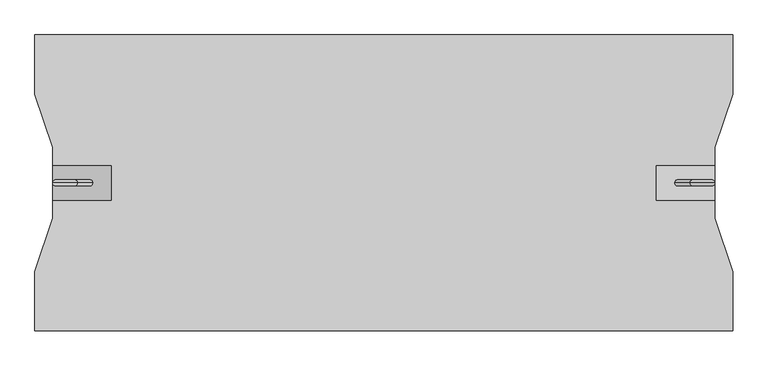
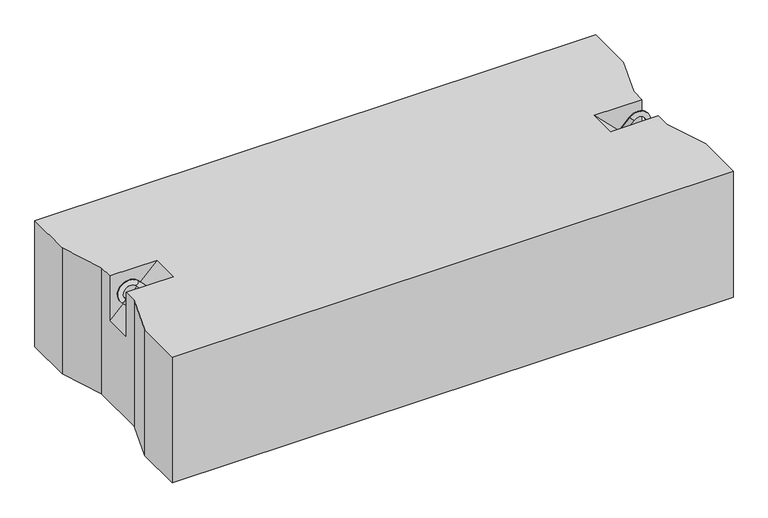
"""IFC4 building model written with IfcOpenShell, lengths in millimetres: proxy geometry."""

from ifc_helpers import new_model, si_unit, point, frame, origin, place, context, project, spatial, circle_curve, ellipse_curve, trimmed, faceted_brep, source, transform, mapped, element, save
from ifc_brep_helpers import plane_surface, cylinder_surface, revolved_surface, advanced_brep


def generic_models_281e785e(model_context):
    return source(origin(), model_context, "Body", "SolidModel", [
        advanced_brep(
        [(1082.3223305, 0.0, 247.6776695), (1089.3933983, 0.0, 240.6066017), (1114.3933983, 0.0, 265.6066017), (1107.3223305, 0.0, 272.6776695), (1135.6066017, 0.0, 244.3933983), (1142.6776695, 0.0, 237.3223305), (1117.6776695, 0.0, 212.3223305), (1110.6066017, 0.0, 219.3933983)],
        [
            (0, 1, circle_curve(frame((1085.8578644, 0.0, 244.1421356), z_axis=(-0.7071067811865482, 0.0, -0.7071067811865468), x_axis=(0.7071067811865468, 0.0, -0.7071067811865482)), 5.0)),
            (1, 0, circle_curve(frame((1085.8578644, 0.0, 244.1421356), z_axis=(-0.7071067811865482, 0.0, -0.7071067811865468), x_axis=(0.7071067811865468, 0.0, -0.7071067811865482)), 5.0)),
            (1, 2),
            (2, 3, circle_curve(frame((1110.8578644, 0.0, 269.1421356), z_axis=(-0.7071067811865482, 0.0, -0.7071067811865468), x_axis=(0.7071067811865468, 0.0, -0.7071067811865482)), 5.0)),
            (3, 0),
            (3, 2, circle_curve(frame((1110.8578644, 0.0, 269.1421356), z_axis=(-0.7071067811865482, 0.0, -0.7071067811865468), x_axis=(0.7071067811865468, 0.0, -0.7071067811865482)), 5.0)),
            (4, 5, circle_curve(frame((1139.1421356, 0.0, 240.8578644), z_axis=(0.7071067811865457, 0.0, 0.7071067811865493), x_axis=(-0.7071067811865493, 0.0, 0.7071067811865457)), 5.0)),
            (5, 3, circle_curve(frame((1125.0, 0.0, 255.0), z_axis=(0.0, -1.0, 0.0), x_axis=(-0.7071067811865468, 0.0, 0.7071067811865482)), 25.0)),
            (2, 4, circle_curve(frame((1125.0, 0.0, 255.0), z_axis=(0.0, 1.0, 0.0), x_axis=(-0.7071067811865468, 0.0, 0.7071067811865482)), 15.0)),
            (5, 4, circle_curve(frame((1139.1421356, 0.0, 240.8578644), z_axis=(0.7071067811865459, 0.0, 0.7071067811865491), x_axis=(-0.7071067811865491, 0.0, 0.7071067811865459)), 5.0)),
            (6, 7, circle_curve(frame((1114.1421356, 0.0, 215.8578644), z_axis=(-0.7071067811865505, 0.0, -0.7071067811865446), x_axis=(-0.7071067811865446, 0.0, 0.7071067811865505)), 5.0)),
            (7, 6, circle_curve(frame((1114.1421356, 0.0, 215.8578644), z_axis=(-0.7071067811865505, 0.0, -0.7071067811865446), x_axis=(-0.7071067811865446, 0.0, 0.7071067811865505)), 5.0)),
            (4, 7),
            (6, 5),
        ],
        [
            plane_surface(frame((1082.3223305, 0.0, 247.6776695), z_axis=(-0.7071067811865482, 0.0, -0.7071067811865468), x_axis=(0.0, -1.0, 0.0))),
            cylinder_surface(frame((1085.8578644, 0.0, 244.1421356), z_axis=(-0.7071067811865482, 0.0, -0.7071067811865468), x_axis=(0.7071067811865468, 0.0, -0.7071067811865482)), 5.0),
            revolved_surface(trimmed(ellipse_curve(frame((1110.8578644, 0.0, 269.1421356), z_axis=(0.7071067811865482, 0.0, 0.7071067811865468), x_axis=(0.7071067811865468, 0.0, -0.7071067811865482)), 5.0, 5.0), [point((1107.3223305, 0.0, 272.6776695))], [point((1114.3933983, 0.0, 265.6066017))], True, "CARTESIAN"), (1125.0, 0.0, 255.0), (0.0, -1.0, 0.0)),
            revolved_surface(trimmed(ellipse_curve(frame((1110.8578644, 0.0, 269.1421356), z_axis=(0.7071067811865482, 0.0, 0.7071067811865468), x_axis=(0.7071067811865468, 0.0, -0.7071067811865482)), 5.0, 5.0), [point((1114.3933983, 0.0, 265.6066017))], [point((1107.3223305, 0.0, 272.6776695))], True, "CARTESIAN"), (1125.0, 0.0, 255.0), (0.0, -1.0, 0.0)),
            plane_surface(frame((1117.6776695, 0.0, 212.3223305), z_axis=(-0.7071067811865505, 0.0, -0.7071067811865446), x_axis=(0.0, -1.0, 0.0))),
            cylinder_surface(frame((1139.1421356, 0.0, 240.8578644), z_axis=(0.7071067811865505, 0.0, 0.7071067811865446), x_axis=(-0.7071067811865446, 0.0, 0.7071067811865505)), 5.0),
        ],
        [
            (0, [[1, 2]]),
            (1, [[3, 4, 5, -2]]),
            (1, [[-5, 6, -3, -1]]),
            (2, [[7, 8, -4, 9]]),
            (3, [[10, -9, -6, -8]]),
            (4, [[11, 12]]),
            (5, [[13, -11, 14, -7]]),
            (5, [[-14, -12, -13, -10]]),
        ],
    ),
        advanced_brep(
        [(97.6776695, 0.0, 247.6776695), (90.6066017, 0.0, 240.6066017), (72.6776695, 0.0, 272.6776695), (65.6066017, 0.0, 265.6066017), (44.3933983, 0.0, 244.3933983), (37.3223305, 0.0, 237.3223305), (62.3223305, 0.0, 212.3223305), (69.3933983, 0.0, 219.3933983)],
        [
            (0, 1, circle_curve(frame((94.1421356, 0.0, 244.1421356), z_axis=(0.707106781186546, 0.0, -0.707106781186549), x_axis=(-0.707106781186549, 0.0, -0.707106781186546)), 5.0)),
            (1, 0, circle_curve(frame((94.1421356, 0.0, 244.1421356), z_axis=(0.707106781186546, 0.0, -0.707106781186549), x_axis=(-0.707106781186549, 0.0, -0.707106781186546)), 5.0)),
            (0, 2),
            (2, 3, circle_curve(frame((69.1421356, 0.0, 269.1421356), z_axis=(0.707106781186546, 0.0, -0.707106781186549), x_axis=(-0.707106781186549, 0.0, -0.707106781186546)), 5.0)),
            (3, 1),
            (3, 2, circle_curve(frame((69.1421356, 0.0, 269.1421356), z_axis=(0.707106781186546, 0.0, -0.707106781186549), x_axis=(-0.707106781186549, 0.0, -0.707106781186546)), 5.0)),
            (4, 3, circle_curve(frame((55.0, 0.0, 255.0), z_axis=(0.0, 1.0, 0.0), x_axis=(0.707106781186549, 0.0, 0.707106781186546)), 15.0)),
            (2, 5, circle_curve(frame((55.0, 0.0, 255.0), z_axis=(0.0, -1.0, 0.0), x_axis=(0.707106781186549, 0.0, 0.707106781186546)), 25.0)),
            (5, 4, circle_curve(frame((40.8578644, 0.0, 240.8578644), z_axis=(-0.7071067811865437, 0.0, 0.7071067811865513), x_axis=(0.7071067811865513, 0.0, 0.7071067811865437)), 5.0)),
            (4, 5, circle_curve(frame((40.8578644, 0.0, 240.8578644), z_axis=(-0.7071067811865437, 0.0, 0.7071067811865513), x_axis=(0.7071067811865513, 0.0, 0.7071067811865437)), 5.0)),
            (6, 7, circle_curve(frame((65.8578644, 0.0, 215.8578644), z_axis=(0.7071067811865482, 0.0, -0.7071067811865468), x_axis=(0.7071067811865468, 0.0, 0.7071067811865482)), 5.0)),
            (7, 6, circle_curve(frame((65.8578644, 0.0, 215.8578644), z_axis=(0.7071067811865482, 0.0, -0.7071067811865468), x_axis=(0.7071067811865468, 0.0, 0.7071067811865482)), 5.0)),
            (5, 6),
            (7, 4),
        ],
        [
            plane_surface(frame((97.6776695, 0.0, 247.6776695), z_axis=(0.707106781186546, 0.0, -0.707106781186549), x_axis=(0.0, -1.0, 0.0))),
            cylinder_surface(frame((94.1421356, 0.0, 244.1421356), z_axis=(0.707106781186546, 0.0, -0.707106781186549), x_axis=(-0.707106781186549, 0.0, -0.707106781186546)), 5.0),
            revolved_surface(trimmed(ellipse_curve(frame((69.1421356, 0.0, 269.1421356), z_axis=(0.707106781186546, 0.0, -0.707106781186549), x_axis=(-0.707106781186549, 0.0, -0.707106781186546)), 5.0, 5.0), [point((72.6776695, 0.0, 272.6776695))], [point((65.6066017, 0.0, 265.6066017))], True, "CARTESIAN"), (55.0, 0.0, 255.0), (0.0, -1.0, 0.0)),
            revolved_surface(trimmed(ellipse_curve(frame((69.1421356, 0.0, 269.1421356), z_axis=(0.707106781186546, 0.0, -0.707106781186549), x_axis=(-0.707106781186549, 0.0, -0.707106781186546)), 5.0, 5.0), [point((65.6066017, 0.0, 265.6066017))], [point((72.6776695, 0.0, 272.6776695))], True, "CARTESIAN"), (55.0, 0.0, 255.0), (0.0, -1.0, 0.0)),
            plane_surface(frame((62.3223305, 0.0, 212.3223305), z_axis=(0.7071067811865482, 0.0, -0.7071067811865468), x_axis=(0.0, -1.0, 0.0))),
            cylinder_surface(frame((40.8578644, 0.0, 240.8578644), z_axis=(-0.7071067811865482, 0.0, 0.7071067811865468), x_axis=(0.7071067811865468, 0.0, 0.7071067811865482)), 5.0),
        ],
        [
            (0, [[1, 2]]),
            (1, [[-1, 3, 4, 5]]),
            (1, [[-2, -5, 6, -3]]),
            (2, [[7, -4, 8, 9]]),
            (3, [[-8, -6, -7, 10]]),
            (4, [[11, 12]]),
            (5, [[-9, 13, -12, 14]]),
            (5, [[-10, -14, -11, -13]]),
        ],
    ),
        faceted_brep([(1180.0, 250.0, 280.0), (0.0, 250.0, 280.0), (0.0, 150.0, 280.0), (30.0, 60.0, 280.0), (30.0, 30.0, 280.0), (130.0, 30.0, 280.0), (130.0, -30.0, 280.0), (30.0, -30.0, 280.0), (30.0, -60.0, 280.0), (0.0, -150.0, 280.0), (0.0, -250.0, 280.0), (1180.0, -250.0, 280.0), (1180.0, -150.0, 280.0), (1150.0, -60.0, 280.0), (1150.0, -30.0, 280.0), (1050.0, -30.0, 280.0), (1050.0, 30.0, 280.0), (1150.0, 30.0, 280.0), (1150.0, 60.0, 280.0), (1180.0, 150.0, 280.0), (1180.0, 250.0, 0.0), (1180.0, 150.0, 0.0), (1150.0, 60.0, 0.0), (1150.0, -60.0, 0.0), (1180.0, -150.0, 0.0), (1180.0, -250.0, 0.0), (0.0, -250.0, 0.0), (0.0, -150.0, 0.0), (30.0, -60.0, 0.0), (30.0, 60.0, 0.0), (0.0, 150.0, 0.0), (0.0, 250.0, 0.0), (30.0, -30.0, 180.0), (30.0, 30.0, 180.0), (1150.0, 30.0, 180.0), (1150.0, -30.0, 180.0)], [[[0, 1, 2, 3, 4, 5, 6, 7, 8, 9, 10, 11, 12, 13, 14, 15, 16, 17, 18, 19]], [[20, 21, 22, 23, 24, 25, 26, 27, 28, 29, 30, 31]], [[1, 0, 20, 31]], [[10, 9, 27, 26]], [[11, 10, 26, 25]], [[0, 19, 21, 20]], [[2, 1, 31, 30]], [[3, 2, 30, 29]], [[29, 28, 8, 7, 32, 33, 4, 3]], [[9, 8, 28, 27]], [[12, 11, 25, 24]], [[13, 12, 24, 23]], [[23, 22, 18, 17, 34, 35, 14, 13]], [[19, 18, 22, 21]], [[6, 32, 7]], [[35, 15, 14]], [[33, 5, 4]], [[16, 34, 17]], [[32, 6, 5, 33]], [[15, 35, 34, 16]]]),
    ])


if __name__ == "__main__":
    model = new_model("IFC4")
    model_context = context("Model", 3, world=origin())
    ifc_project = project(units=[si_unit("LENGTHUNIT", "METRE", prefix="MILLI")], contexts=[model_context])
    site = spatial("IfcSite", under=ifc_project)
    building = spatial("IfcBuilding", under=site)
    placement = place(None, origin())
    generic_models_shape = generic_models_281e785e(model_context)
    element("IfcBuildingElementProxy", 1, Name="Generic Models", at=placement, inside=building, context=model_context, shape_type="MappedRepresentation", body=[
        mapped(generic_models_shape, transform((0.0, 0.0, 0.0), x_axis=(1.0, 0.0, 0.0), y_axis=(0.0, 1.0, 0.0), z_axis=(0.0, 0.0, 1.0))),
    ])
    save(model, "model.ifc")
